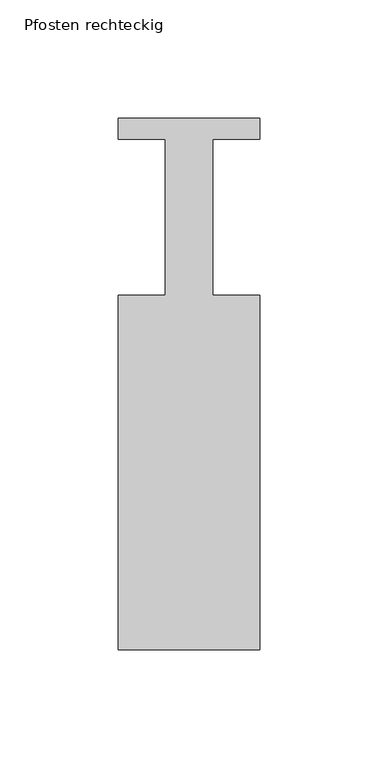
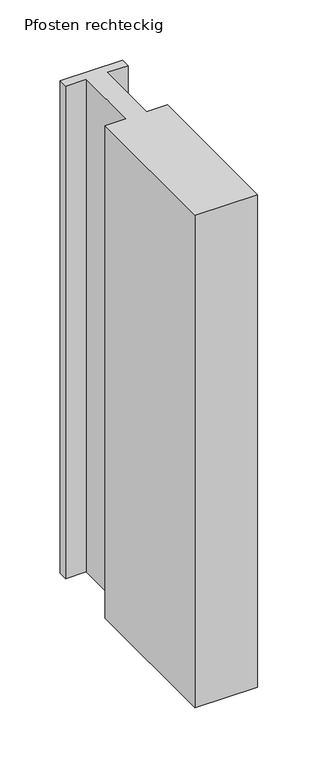
"""IFC4 building model written with IfcOpenShell, lengths in millimetres: member geometry, Pfosten rechteckig."""

from ifc_helpers import new_model, si_unit, frame, origin, place, context, project, spatial, polyline, outline, extrude, source, transform, mapped, element, save


def pfosten_rechteckig_4c2e532c(model_context):
    return source(origin(), model_context, "Body", "SweptSolid", [
        extrude(outline(polyline([(30.0, 9.0), (30.0, 0.0), (10.0, 0.0), (10.0, -66.0), (30.0, -66.0), (30.0, -216.0), (-30.0, -216.0), (-30.0, -66.0), (-10.0, -66.0), (-10.0, 0.0), (-30.0, 0.0), (-30.0, 9.0), (30.0, 9.0)])), frame((0.0, 0.0, -500.0), z_axis=(0.0, 0.0, 1.0), x_axis=(1.0, 0.0, 0.0)), (0.0, 0.0, 1.0), 500.0),
    ])


if __name__ == "__main__":
    model = new_model("IFC4")
    model_context = context("Model", 3, world=origin())
    ifc_project = project(units=[si_unit("LENGTHUNIT", "METRE", prefix="MILLI")], contexts=[model_context])
    site = spatial("IfcSite", under=ifc_project)
    building = spatial("IfcBuilding", under=site)
    placement = place(None, origin())
    pfosten_rechteckig_shape = pfosten_rechteckig_4c2e532c(model_context)
    element("IfcMember", 1, ObjectType="Pfosten rechteckig", at=placement, inside=building, context=model_context, shape_type="MappedRepresentation", body=[
        mapped(pfosten_rechteckig_shape, transform((0.0, 0.0, 0.0), x_axis=(1.0, 0.0, 0.0), y_axis=(0.0, 1.0, 0.0), z_axis=(0.0, 0.0, 1.0))),
    ])
    save(model, "model.ifc")
